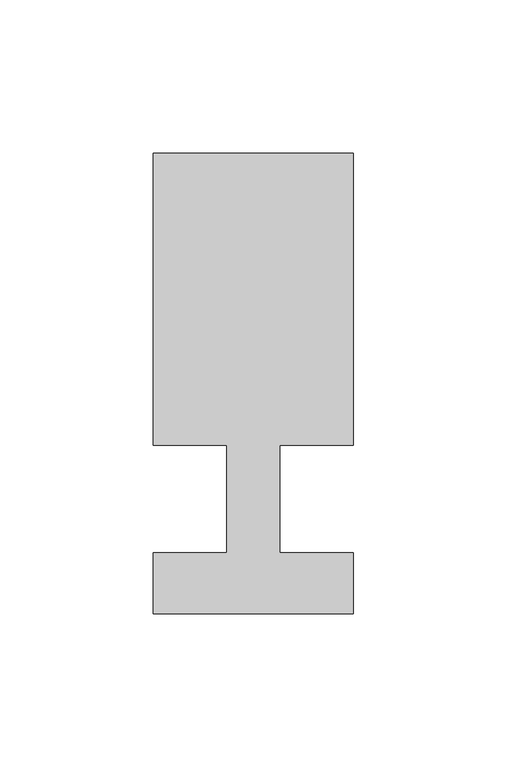
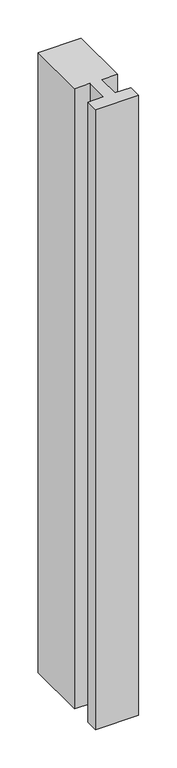
"""IFC4 building model written with IfcOpenShell, lengths in millimetres: member geometry."""

from ifc_helpers import new_model, si_unit, frame, origin, place, context, project, spatial, polyline, outline, extrude, source, transform, mapped, element, save


def member_8541fe02(model_context):
    return source(origin(), model_context, "Body", "SweptSolid", [
        extrude(outline(polyline([(0.0, -37.0), (-65.0, -37.0), (-65.0, -17.0), (-41.1875, -17.0), (-41.1875, 18.0), (-65.0, 18.0), (-65.0, 113.0), (0.0, 113.0), (0.0, 18.0), (-23.8125, 18.0), (-23.8125, -17.0), (0.0, -17.0), (0.0, -37.0)])), frame((0.0, 0.0, -988.3333333), z_axis=(0.0, 0.0, 1.0), x_axis=(1.0, 0.0, 0.0)), (0.0, 0.0, 1.0), 988.3333333),
    ])


if __name__ == "__main__":
    model = new_model("IFC4")
    model_context = context("Model", 3, world=origin())
    ifc_project = project(units=[si_unit("LENGTHUNIT", "METRE", prefix="MILLI")], contexts=[model_context])
    site = spatial("IfcSite", under=ifc_project)
    building = spatial("IfcBuilding", under=site)
    placement = place(None, origin())
    member_shape = member_8541fe02(model_context)
    element("IfcMember", 1, at=placement, inside=building, context=model_context, shape_type="MappedRepresentation", body=[
        mapped(member_shape, transform((0.0, 0.0, 0.0), x_axis=(1.0, 0.0, 0.0), y_axis=(0.0, 1.0, 0.0), z_axis=(0.0, 0.0, 1.0))),
    ])
    save(model, "model.ifc")
